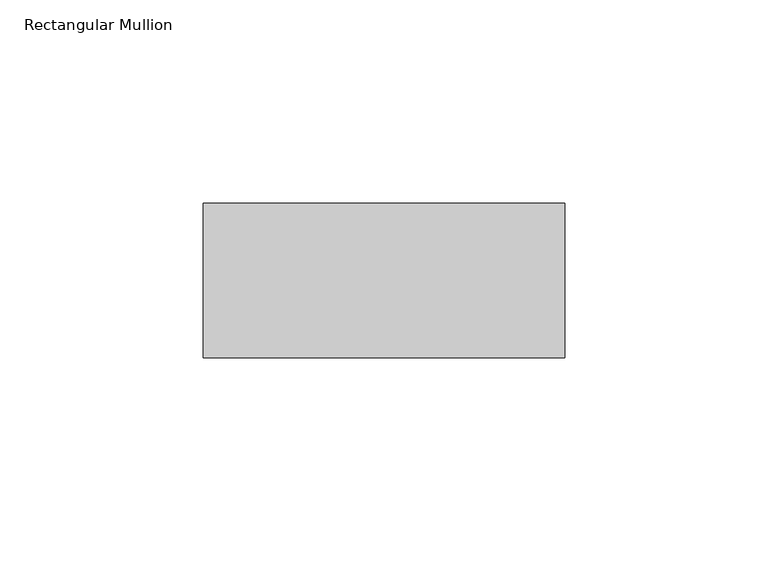
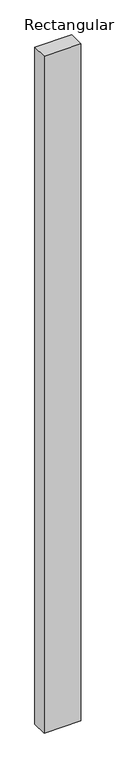
"""IFC4 building model written with IfcOpenShell, lengths in millimetres: member geometry, Rectangular Mullion."""

from ifc_helpers import new_model, si_unit, frame, origin, place, context, project, spatial, polyline, outline, extrude, source, transform, mapped, element, save


def rectangular_mullion_763a575d(model_context):
    return source(origin(), model_context, "Body", "SweptSolid", [
        extrude(outline(polyline([(0.0, -20.0), (0.0, -58.0), (-89.0, -58.0), (-89.0, -20.0), (0.0, -20.0)])), frame((0.0, 0.0, -1724.0), z_axis=(0.0, 0.0, 1.0), x_axis=(1.0, 0.0, 0.0)), (0.0, 0.0, 1.0), 1724.0),
    ])


if __name__ == "__main__":
    model = new_model("IFC4")
    model_context = context("Model", 3, world=origin())
    ifc_project = project(units=[si_unit("LENGTHUNIT", "METRE", prefix="MILLI")], contexts=[model_context])
    site = spatial("IfcSite", under=ifc_project)
    building = spatial("IfcBuilding", under=site)
    placement = place(None, origin())
    rectangular_mullion_shape = rectangular_mullion_763a575d(model_context)
    element("IfcMember", 1, ObjectType="Rectangular Mullion", at=placement, inside=building, context=model_context, shape_type="MappedRepresentation", body=[
        mapped(rectangular_mullion_shape, transform((0.0, 0.0, 0.0), x_axis=(1.0, 0.0, 0.0), y_axis=(0.0, 1.0, 0.0), z_axis=(0.0, 0.0, 1.0))),
    ])
    save(model, "model.ifc")
